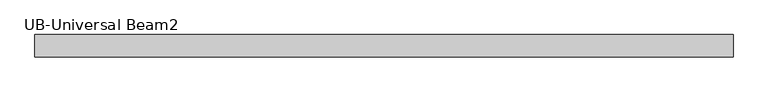
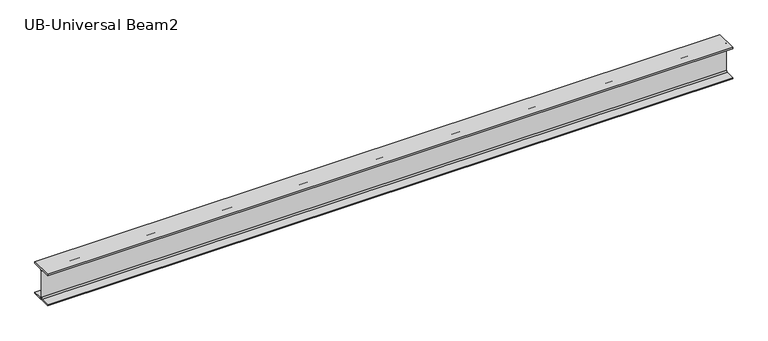
"""IFC4 building model written with IfcOpenShell, lengths in millimetres: beam geometry, UB-Universal Beam2."""

from ifc_helpers import new_model, si_unit, point, frame, frame_2d, origin, place, context, project, spatial, polyline, circle_curve, trimmed, segment, composite_curve, outline, extrude, source, transform, mapped, element, save


def ub_universal_beam2_1b98d5b6(model_context):
    return source(origin(), model_context, "Body", "SweptSolid", [
        extrude(outline(composite_curve([segment(polyline([(82.5, -114.8), (82.5, -125.0), (-82.5, -125.0), (-82.5, -114.8), (-11.9, -114.8)]), True, "CONTINUOUS"), segment(trimmed(circle_curve(frame_2d((-11.9, -105.9)), 8.9), [point((-11.9, -114.8))], [point((-3.0, -105.9))], True, "CARTESIAN"), True, "CONTINUOUS"), segment(polyline([(-3.0, -105.9), (-3.0, 105.9)]), True, "CONTINUOUS"), segment(trimmed(circle_curve(frame_2d((-11.9, 105.9)), 8.9), [point((-3.0, 105.9))], [point((-11.9, 114.8))], True, "CARTESIAN"), True, "CONTINUOUS"), segment(polyline([(-11.9, 114.8), (-82.5, 114.8), (-82.5, 125.0), (82.5, 125.0), (82.5, 114.8), (11.9, 114.8)]), True, "CONTINUOUS"), segment(trimmed(circle_curve(frame_2d((11.9, 105.9)), 8.9), [point((11.9, 114.8))], [point((3.0, 105.9))], True, "CARTESIAN"), True, "CONTINUOUS"), segment(polyline([(3.0, 105.9), (3.0, -105.9)]), True, "CONTINUOUS"), segment(trimmed(circle_curve(frame_2d((11.9, -105.9)), 8.9), [point((3.0, -105.9))], [point((11.9, -114.8))], True, "CARTESIAN"), True, "CONTINUOUS"), segment(polyline([(11.9, -114.8), (82.5, -114.8)]), True, "CONTINUOUS")], self_intersect=False)), frame((-2582.5, 0.0, 0.0), z_axis=(1.0, 0.0, 0.0), x_axis=(0.0, 1.0, 0.0)), (0.0, 0.0, 1.0), 5165.0),
    ])


if __name__ == "__main__":
    model = new_model("IFC4")
    model_context = context("Model", 3, world=origin())
    ifc_project = project(units=[si_unit("LENGTHUNIT", "METRE", prefix="MILLI")], contexts=[model_context])
    site = spatial("IfcSite", under=ifc_project)
    building = spatial("IfcBuilding", under=site)
    placement = place(None, origin())
    ub_universal_beam2_shape = ub_universal_beam2_1b98d5b6(model_context)
    element("IfcBeam", 1, ObjectType="UB-Universal Beam2", at=placement, inside=building, context=model_context, shape_type="MappedRepresentation", body=[
        mapped(ub_universal_beam2_shape, transform((0.0, 0.0, 0.0), x_axis=(1.0, 0.0, 0.0), y_axis=(0.0, 1.0, 0.0), z_axis=(0.0, 0.0, 1.0))),
    ])
    save(model, "model.ifc")
